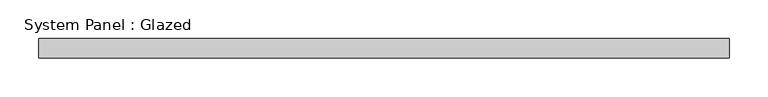
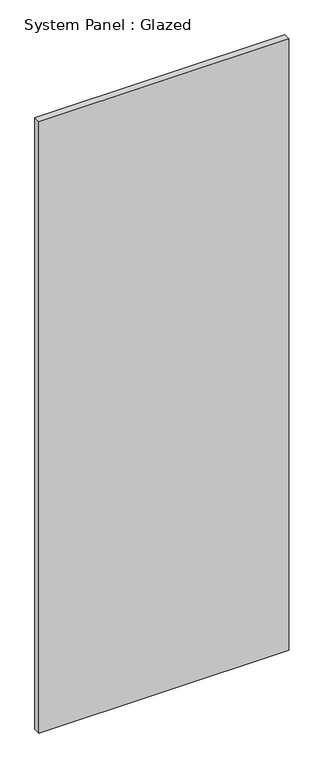
"""IFC4 building model written with IfcOpenShell, lengths in millimetres: plate geometry, System Panel : Glazed."""

from ifc_helpers import new_model, si_unit, origin, origin_with_axes, place, context, project, spatial, polyline, outline, extrude, source, transform, mapped, element, save


def system_panel_glazed_c6e14109(model_context):
    return source(origin(), model_context, "Body", "SweptSolid", [
        extrude(outline(polyline([(444.1666667, -49.5), (-444.1666667, -49.5), (-444.1666667, -24.5), (444.1666667, -24.5), (444.1666667, -49.5)])), origin_with_axes(), (0.0, 0.0, 1.0), 2300.0),
    ])


if __name__ == "__main__":
    model = new_model("IFC4")
    model_context = context("Model", 3, world=origin())
    ifc_project = project(units=[si_unit("LENGTHUNIT", "METRE", prefix="MILLI")], contexts=[model_context])
    site = spatial("IfcSite", under=ifc_project)
    building = spatial("IfcBuilding", under=site)
    placement = place(None, origin())
    system_panel_glazed_shape = system_panel_glazed_c6e14109(model_context)
    element("IfcPlate", 1, ObjectType="System Panel : Glazed", at=placement, inside=building, context=model_context, shape_type="MappedRepresentation", body=[
        mapped(system_panel_glazed_shape, transform((0.0, 0.0, 0.0), x_axis=(1.0, 0.0, 0.0), y_axis=(0.0, 1.0, 0.0), z_axis=(0.0, 0.0, 1.0))),
    ])
    save(model, "model.ifc")
